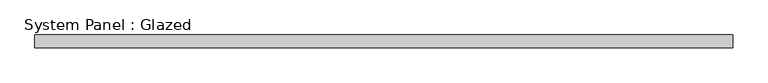
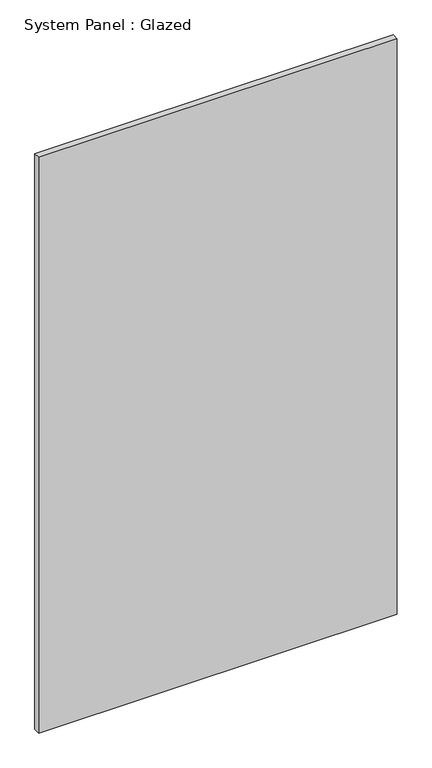
"""IFC4 building model written with IfcOpenShell, lengths in millimetres: plate geometry, System Panel : Glazed."""

from ifc_helpers import new_model, si_unit, origin, origin_with_axes, place, context, project, spatial, polyline, outline, extrude, source, transform, mapped, element, save


def system_panel_glazed_844a9e14(model_context):
    return source(origin(), model_context, "Body", "SweptSolid", [
        extrude(outline(polyline([(685.3124303, 24.5), (-685.3124303, 24.5), (-685.3124303, 49.5), (685.3124303, 49.5), (685.3124303, 24.5)])), origin_with_axes(), (0.0, 0.0, 1.0), 2325.0),
    ])


if __name__ == "__main__":
    model = new_model("IFC4")
    model_context = context("Model", 3, world=origin())
    ifc_project = project(units=[si_unit("LENGTHUNIT", "METRE", prefix="MILLI")], contexts=[model_context])
    site = spatial("IfcSite", under=ifc_project)
    building = spatial("IfcBuilding", under=site)
    placement = place(None, origin())
    system_panel_glazed_shape = system_panel_glazed_844a9e14(model_context)
    element("IfcPlate", 1, ObjectType="System Panel : Glazed", at=placement, inside=building, context=model_context, shape_type="MappedRepresentation", body=[
        mapped(system_panel_glazed_shape, transform((0.0, 0.0, 0.0), x_axis=(1.0, 0.0, 0.0), y_axis=(0.0, 1.0, 0.0), z_axis=(0.0, 0.0, 1.0))),
    ])
    save(model, "model.ifc")
